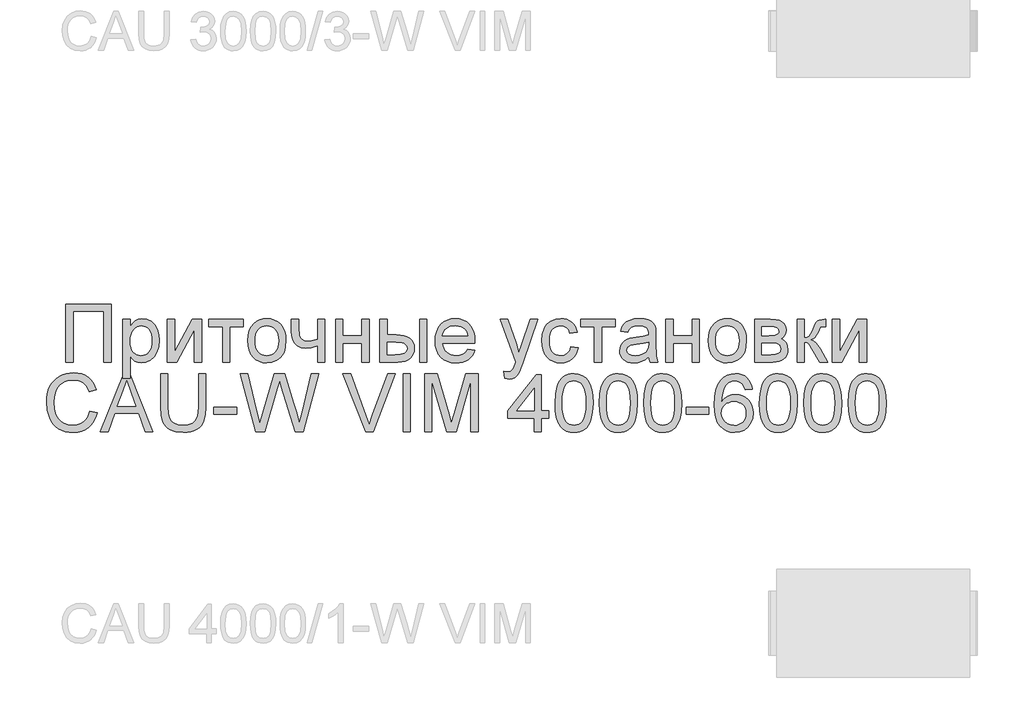
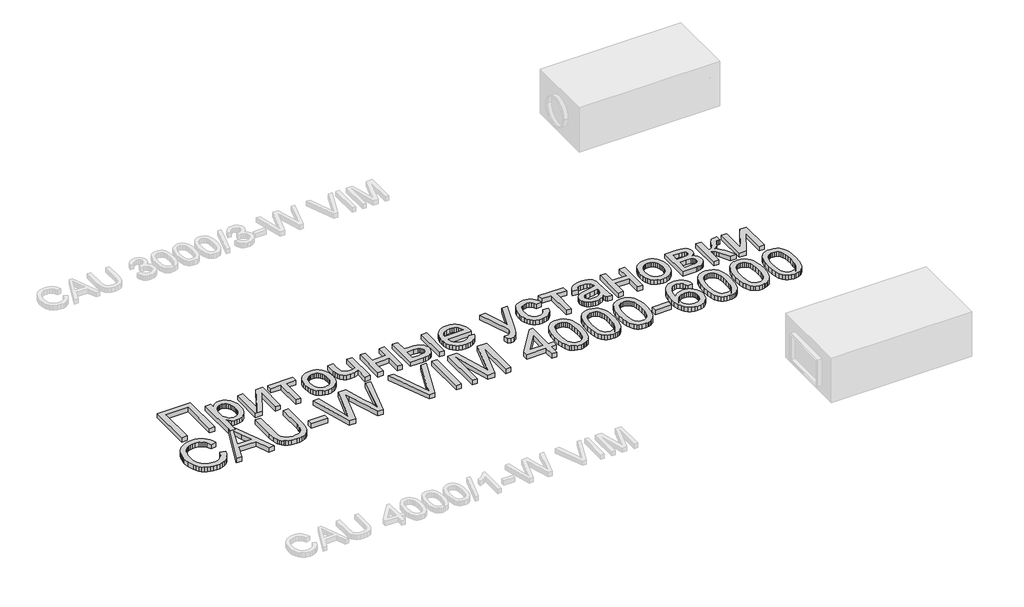
# One storey, part 71 of 74: 1 proxy.
"""IFC4 building model written with IfcOpenShell, lengths in millimetres."""

from ifc_helpers import new_model, si_unit, origin, origin_with_axes, place, context, project, spatial, polyline, outline, extrude, element, save

model = new_model("IFC4")

# Units and contexts
model_context = context("Model", 3, world=origin())
ifc_project = project(units=[si_unit("LENGTHUNIT", "METRE", prefix="MILLI")], contexts=[model_context])

# Site, building, storey
site = spatial("IfcSite", under=ifc_project)
building = spatial("IfcBuilding", under=site)
storey = spatial("IfcBuildingStorey", under=building, Elevation=0.0)

# Proxy
placement = place(None, origin())
element("IfcBuildingElementProxy", 1, Name="Generic Models", at=placement, inside=storey, context=model_context, shape_type="SweptSolid", body=[
    extrude(outline(polyline([(55811.9197938, -8877.4716513), (56163.2136554, -8877.4716513), (56163.2136554, -9327.1277941), (56107.0066376, -9327.1277941), (56107.0066376, -8933.6786691), (55868.1268117, -8933.6786691), (55868.1268117, -9327.1277941), (55811.9197938, -9327.1277941), (55811.9197938, -8877.4716513)])), origin_with_axes(), (0.0, 0.0, 1.0), 50.0),
    extrude(outline(polyline([(56254.5500594, -9453.5935843), (56254.5500594, -8996.9115642), (56310.7570773, -8996.9115642), (56310.7570773, -9052.0207887), (56329.0902257, -9024.8366817), (56349.6189607, -9005.4194624), (56373.550855, -8993.7691308), (56402.0934813, -8989.885687), (56440.1045749, -8995.3197639), (56473.3402676, -9011.6219947), (56500.4008729, -9037.8043653), (56519.8867043, -9072.8788618), (56531.6605376, -9114.2931147), (56535.5851487, -9159.4947545), (56531.1528082, -9207.5643794), (56517.8557866, -9250.5567102), (56496.1194789, -9286.2898827), (56466.36928, -9312.5820326), (56431.7201784, -9328.7607616), (56395.2871627, -9334.1536713), (56369.4478525, -9330.5446758), (56346.3804704, -9319.7176892), (56326.6339131, -9303.3742912), (56310.7570773, -9283.2160614), (56310.7570773, -9453.5935843), (56254.5500594, -9453.5935843)]), holes=[polyline([(56310.7570773, -9164.6543831), (56312.2768349, -9191.7424332), (56316.8361078, -9215.0430964), (56324.4348959, -9234.5563726), (56335.0731993, -9250.2822619), (56347.8796444, -9262.3854332), (56361.982858, -9271.0305556), (56377.3828398, -9276.217629), (56394.0795901, -9277.9466535), (56411.0164826, -9276.1558781), (56426.697774, -9270.7835521), (56441.1234643, -9261.8296753), (56454.2935535, -9249.2942479), (56465.2680561, -9232.9988783), (56473.1069865, -9212.7651752), (56477.8103448, -9188.5931386), (56479.3781308, -9160.4827685), (56477.8480814, -9133.6279995), (56473.2579331, -9110.3685036), (56465.6076859, -9090.7042808), (56454.8973399, -9074.6353311), (56442.0600193, -9062.1479321), (56428.0288484, -9053.2283614), (56412.8038273, -9047.876619), (56396.384956, -9046.0927048), (56380.0175438, -9047.9898289), (56364.6175619, -9053.6812011), (56350.1850104, -9063.1668215), (56336.7198892, -9076.4466901), (56325.361159, -9093.3424153), (56317.2477803, -9113.6756059), (56312.379753, -9137.4462619), (56310.7570773, -9164.6543831)])]), origin_with_axes(), (0.0, 0.0, 1.0), 50.0),
    extrude(outline(polyline([(56598.8180438, -8996.9115642), (56655.0250616, -8996.9115642), (56655.0250616, -9248.7453512), (56793.127461, -8996.9115642), (56865.8013786, -8996.9115642), (56865.8013786, -9327.1277941), (56809.5943607, -9327.1277941), (56809.5943607, -9076.8309177), (56672.370196, -9327.1277941), (56598.8180438, -9327.1277941), (56598.8180438, -8996.9115642)])), origin_with_axes(), (0.0, 0.0, 1.0), 50.0),
    extrude(outline(polyline([(56922.0083964, -8996.9115642), (57188.9917312, -8996.9115642), (57188.9917312, -9053.1185821), (57083.6035727, -9053.1185821), (57083.6035727, -9327.1277941), (57027.3965549, -9327.1277941), (57027.3965549, -9053.1185821), (56922.0083964, -9053.1185821), (56922.0083964, -8996.9115642)])), origin_with_axes(), (0.0, 0.0, 1.0), 50.0),
    extrude(outline(polyline([(57224.1211174, -9162.0196791), (57227.1606326, -9119.2537682), (57236.2791784, -9082.4022188), (57251.4767546, -9051.4650309), (57272.7533613, -9026.4422044), (57294.1740534, -9010.4487281), (57317.817777, -8999.0248163), (57343.6845321, -8992.1704693), (57371.7743186, -8989.885687), (57402.7835492, -8992.6679069), (57430.8218766, -9001.0145667), (57455.8893009, -9014.9256664), (57477.985822, -9034.401206), (57496.0205079, -9058.7825095), (57508.9024263, -9087.4109008), (57516.6315774, -9120.2863801), (57519.2079611, -9157.4089472), (57514.6521188, -9214.1923066), (57508.957316, -9237.4998309), (57500.984592, -9257.4179184), (57478.6033308, -9289.7890989), (57447.9062851, -9314.0091639), (57411.4458246, -9329.1175445), (57371.7743186, -9334.1536713), (57340.3122482, -9331.3817432), (57312.0131949, -9323.0659588), (57286.8771585, -9309.2063182), (57264.9041391, -9289.8028213), (57247.0615671, -9265.1848062), (57234.3168728, -9235.6816107), (57226.6700562, -9201.2932351), (57224.1211174, -9162.0196791)]), holes=[polyline([(57280.3281352, -9161.9098998), (57281.9542416, -9189.1729107), (57286.8325606, -9212.7788977), (57294.9630924, -9232.7278606), (57306.3458369, -9249.0197996), (57320.1917551, -9261.6752981), (57335.7118081, -9270.71494), (57352.9059959, -9276.1387251), (57371.7743186, -9277.9466535), (57390.5465843, -9276.1284333), (57407.6721601, -9270.6737727), (57423.1510458, -9261.5826718), (57436.9832416, -9248.8551306), (57448.3659861, -9232.4019532), (57456.4965178, -9212.1339441), (57461.3748369, -9188.0511032), (57463.0009433, -9160.1534305), (57461.3645451, -9133.7549318), (57456.4553506, -9110.7664536), (57448.2733598, -9091.1879959), (57436.8185726, -9075.0195587), (57422.9349178, -9062.3640602), (57407.4663238, -9053.3244183), (57390.4127907, -9047.9006332), (57371.7743186, -9046.0927048), (57352.9059959, -9047.893772), (57335.7118081, -9053.2969735), (57320.1917551, -9062.3023093), (57306.3458369, -9074.9097794), (57294.9630924, -9091.1536899), (57286.8325606, -9111.0683468), (57281.9542416, -9134.6537501), (57280.3281352, -9161.9098998)])]), origin_with_axes(), (0.0, 0.0, 1.0), 50.0),
    extrude(outline(polyline([(57561.3632245, -8996.9115642), (57617.5702423, -8996.9115642), (57617.5702423, -9060.2542386), (57622.1260846, -9119.6448571), (57629.8792499, -9136.907657), (57644.0270613, -9151.8102013), (57663.5677823, -9162.1020136), (57687.4996767, -9165.5326178), (57721.8880523, -9161.2786687), (57765.1136642, -9148.5168213), (57765.1136642, -8996.9115642), (57821.3206821, -8996.9115642), (57821.3206821, -9327.1277941), (57765.1136642, -9327.1277941), (57765.1136642, -9202.4184732), (57717.1400962, -9216.909345), (57672.4599082, -9221.7396356), (57638.4694826, -9216.7035088), (57608.7330061, -9201.5951282), (57585.5558447, -9179.1864221), (57571.2433643, -9152.2493186), (57563.8332595, -9121.5934402), (57561.3632245, -9088.0284096), (57561.3632245, -8996.9115642)])), origin_with_axes(), (0.0, 0.0, 1.0), 50.0),
    extrude(outline(polyline([(57905.6312088, -8996.9115642), (57961.8382267, -8996.9115642), (57961.8382267, -9123.3773544), (58109.3816486, -9123.3773544), (58109.3816486, -8996.9115642), (58165.5886664, -8996.9115642), (58165.5886664, -9327.1277941), (58109.3816486, -9327.1277941), (58109.3816486, -9179.5843722), (57961.8382267, -9179.5843722), (57961.8382267, -9327.1277941), (57905.6312088, -9327.1277941), (57905.6312088, -8996.9115642)])), origin_with_axes(), (0.0, 0.0, 1.0), 50.0),
    extrude(outline(polyline([(58249.8991932, -8996.9115642), (58306.106211, -8996.9115642), (58306.106211, -9116.3514771), (58375.596528, -9116.3514771), (58407.573189, -9118.1113771), (58435.6595449, -9123.3910768), (58459.8555957, -9132.1905763), (58480.1613415, -9144.5098757), (58496.2268606, -9159.92358), (58507.7022314, -9178.0062943), (58514.5874538, -9198.7580186), (58516.882528, -9222.1787529), (58514.9579591, -9243.0745626), (58509.1842523, -9262.3991556), (58499.5614078, -9280.1525319), (58486.0894254, -9296.3346915), (58468.3909388, -9309.8066739), (58446.0885814, -9319.4295184), (58419.1823533, -9325.2032252), (58387.6722545, -9327.1277941), (58249.8991932, -9327.1277941), (58249.8991932, -8996.9115642)]), holes=[polyline([(58306.106211, -9270.9207762), (58363.8501395, -9270.9207762), (58408.612662, -9267.9704567), (58438.3903058, -9259.1194981), (58455.104209, -9244.0111175), (58460.6755101, -9222.2885323), (58456.5450628, -9203.927939), (58444.1537207, -9187.7080428), (58433.3987768, -9181.0801156), (58417.6557345, -9176.3458819), (58371.2053548, -9172.558495), (58306.106211, -9172.558495), (58306.106211, -9270.9207762)])]), origin_with_axes(), (0.0, 0.0, 1.0), 50.0),
    extrude(outline(polyline([(58559.0377914, -8996.9115642), (58615.2448092, -8996.9115642), (58615.2448092, -9327.1277941), (58559.0377914, -9327.1277941), (58559.0377914, -8996.9115642)])), origin_with_axes(), (0.0, 0.0, 1.0), 50.0),
    extrude(outline(polyline([(58930.7506086, -9228.7655128), (58985.8598332, -9235.7913901), (58977.4102552, -9257.863897), (58966.0034966, -9277.3154223), (58951.6395571, -9294.1459661), (58934.3184369, -9308.3555284), (58914.2185274, -9319.6422159), (58891.51822, -9327.7041356), (58866.2175146, -9332.5412874), (58838.3164113, -9334.1536713), (58803.4408899, -9331.3714514), (58772.3664778, -9323.0247916), (58745.093175, -9309.1136919), (58721.6209817, -9289.6381523), (58702.7457978, -9265.1402083), (58689.2635236, -9236.1618953), (58681.1741591, -9202.7032134), (58678.4777043, -9164.7641624), (58681.201604, -9125.538635), (58689.373303, -9090.9650067), (58702.9928013, -9061.0432776), (58722.060099, -9035.7734476), (58745.4705415, -9015.6975524), (58772.1194743, -9001.3576271), (58802.0068973, -8992.753672), (58835.1328107, -8989.885687), (58867.1918062, -8992.7468108), (58896.1838416, -9001.3301823), (58922.1089169, -9015.6358015), (58944.9670321, -9035.6636683), (58963.6260879, -9060.8786086), (58976.9539849, -9090.745448), (58984.9507231, -9125.2641866), (58987.6163025, -9164.4348244), (58987.2869645, -9179.5843722), (58734.6847222, -9179.5843722), (58737.9403655, -9202.0136619), (58744.4139154, -9221.6573011), (58754.1053721, -9238.5152897), (58767.0147354, -9252.5876278), (58782.4284397, -9263.6822015), (58799.6329193, -9271.6068971), (58818.6281743, -9276.3617144), (58839.4142046, -9277.9466535), (58869.3290725, -9275.0100563), (58894.5234292, -9266.200265), (58914.9972745, -9250.9683827), (58930.7506086, -9228.7655128)]), holes=[polyline([(58734.6847222, -9123.3773544), (58931.4092846, -9123.3773544), (58923.8070659, -9093.6820451), (58908.9045216, -9072.4397444), (58893.5765824, -9060.9129146), (58876.1353911, -9052.6794647), (58856.5809476, -9047.7393948), (58834.913252, -9046.0927048), (58797.0256602, -9051.3483903), (58765.6973834, -9067.1154469), (58753.2408598, -9078.5153443), (58743.9199084, -9091.6922947), (58737.7345292, -9106.6462981), (58734.6847222, -9123.3773544)])]), origin_with_axes(), (0.0, 0.0, 1.0), 50.0),
    extrude(outline(polyline([(59219.4702511, -9453.5935843), (59212.4443739, -9399.4723737), (59240.9870002, -9404.4124436), (59255.9993238, -9402.8618106), (59267.6633778, -9398.2099114), (59284.0204982, -9380.9196666), (59299.3896046, -9339.5328586), (59303.7807779, -9325.9202214), (59184.340865, -8996.9115642), (59243.6217041, -8996.9115642), (59306.9643785, -9180.2430482), (59329.0300242, -9253.5756418), (59351.0956699, -9188.8058361), (59416.1948136, -8996.9115642), (59475.0365354, -8996.9115642), (59360.0975751, -9335.031906), (59330.2375969, -9408.3644996), (59314.9508249, -9431.7749421), (59297.6331353, -9447.9948383), (59277.5160728, -9457.4633057), (59253.831182, -9460.6194615), (59219.4702511, -9453.5935843)])), origin_with_axes(), (0.0, 0.0, 1.0), 50.0),
    extrude(outline(polyline([(59732.359289, -9207.6878812), (59788.5663069, -9214.7137584), (59782.4529703, -9241.2357588), (59772.8953073, -9264.7045216), (59759.8933177, -9285.1200467), (59743.4470015, -9302.4823341), (59724.2493409, -9316.3385441), (59702.9933178, -9326.235837), (59679.6789322, -9332.1742127), (59654.3061842, -9334.1536713), (59622.7823629, -9331.392035), (59594.5176156, -9323.1071261), (59569.5119422, -9309.2989445), (59547.7653427, -9289.9674903), (59530.162913, -9265.4764075), (59517.5897489, -9236.1893402), (59510.0458504, -9202.1062883), (59507.5312176, -9163.2272518), (59511.826334, -9113.2090438), (59524.711683, -9069.8599301), (59534.4271539, -9051.1048174), (59546.3931011, -9034.8540457), (59560.6095245, -9021.107615), (59577.0764243, -9009.8655254), (59613.7838883, -8994.8806466), (59653.5377288, -8989.885687), (59678.4747902, -8991.600989), (59701.0310122, -8996.7468952), (59721.206395, -9005.3234055), (59739.0009386, -9017.3305199), (59754.1127497, -9032.4937901), (59766.2399353, -9050.5387678), (59775.3824953, -9071.4654529), (59781.5404297, -9095.2738454), (59725.3334118, -9102.2997227), (59715.1376564, -9077.7777645), (59699.2608205, -9060.199349), (59678.5811389, -9049.6193659), (59653.9768462, -9046.0927048), (59634.878673, -9047.8285905), (59617.6536098, -9053.0362476), (59602.3016564, -9061.715676), (59588.8228128, -9073.8668758), (59577.8483102, -9089.7711564), (59570.0093798, -9109.7098276), (59565.3060216, -9133.6828891), (59563.7382355, -9161.6903412), (59565.2717155, -9190.1197575), (59569.8721556, -9214.370698), (59577.5395558, -9234.4431627), (59588.2739161, -9250.3371515), (59601.4851726, -9262.4163086), (59616.5832613, -9271.044278), (59633.5681823, -9276.2210596), (59652.4399355, -9277.9466535), (59681.5451809, -9273.6378147), (59705.4084631, -9260.7112984), (59722.7673199, -9238.8377665), (59732.359289, -9207.6878812)])), origin_with_axes(), (0.0, 0.0, 1.0), 50.0),
    extrude(outline(polyline([(59809.6439386, -8996.9115642), (60076.6272734, -8996.9115642), (60076.6272734, -9053.1185821), (59971.2391149, -9053.1185821), (59971.2391149, -9327.1277941), (59915.0320971, -9327.1277941), (59915.0320971, -9053.1185821), (59809.6439386, -9053.1185821), (59809.6439386, -8996.9115642)])), origin_with_axes(), (0.0, 0.0, 1.0), 50.0),
    extrude(outline(polyline([(60336.5847309, -9284.9725307), (60309.7299619, -9307.9987455), (60282.0792927, -9323.0659588), (60253.0014922, -9331.3817432), (60221.8653293, -9334.1536713), (60196.8390722, -9332.4863977), (60174.8934977, -9327.4845769), (60156.0286057, -9319.1482089), (60140.2443961, -9307.4772937), (60127.7810114, -9293.2128418), (60118.8785937, -9277.0958636), (60113.5371431, -9259.1263593), (60111.7566595, -9239.3043287), (60114.4462532, -9216.0036655), (60122.515034, -9194.8436993), (60134.9612658, -9176.7301096), (60150.783212, -9162.5685758), (60169.3770863, -9151.865091), (60190.1391024, -9144.1256481), (60238.7713464, -9135.6726395), (60296.2408265, -9126.7805137), (60336.2553929, -9116.3514771), (60336.5847309, -9103.8366333), (60332.7150095, -9078.752056), (60321.1058452, -9062.3400459), (60295.1430332, -9050.1545401), (60258.9707434, -9046.0927048), (60225.4880472, -9048.7960209), (60202.1050496, -9056.905969), (60186.1596016, -9071.9045702), (60174.9895546, -9095.2738454), (60118.7825368, -9088.2479682), (60128.5391749, -9057.5097553), (60143.0986587, -9033.3583023), (60163.8195076, -9014.8879298), (60192.0602407, -9001.1929581), (60226.599563, -8992.7125048), (60266.2161793, -8989.885687), (60304.2135505, -8992.3831668), (60334.3342546, -8999.8756062), (60357.0448539, -9011.1417101), (60372.8119104, -9024.9601835), (60383.2683918, -9042.044592), (60390.0472655, -9063.1085012), (60392.7917488, -9112.2896419), (60392.7917488, -9182.2190762), (60395.6460114, -9279.8677918), (60406.8435033, -9327.1277941), (60350.6364854, -9327.1277941), (60341.6345802, -9307.587073), (60336.5847309, -9284.9725307)]), holes=[polyline([(60336.5847309, -9172.558495), (60298.8206408, -9181.917183), (60245.9070029, -9189.7938501), (60197.5492073, -9198.9055346), (60184.9657514, -9205.1355117), (60175.6482306, -9213.7257444), (60169.8848157, -9224.0175567), (60167.9636774, -9235.3522728), (60172.1490144, -9252.066176), (60184.7050255, -9265.7611476), (60205.3572623, -9274.900277), (60233.8312764, -9277.9466535), (60264.0205927, -9274.5846614), (60290.6969703, -9264.4986853), (60312.3234986, -9249.6373083), (60327.3632671, -9231.9491135), (60334.0323615, -9213.7257444), (60336.2553929, -9188.4764981), (60336.5847309, -9172.558495)])]), origin_with_axes(), (0.0, 0.0, 1.0), 50.0),
    extrude(outline(polyline([(60470.0763983, -8996.9115642), (60526.2834162, -8996.9115642), (60526.2834162, -9123.3773544), (60673.8268381, -9123.3773544), (60673.8268381, -8996.9115642), (60730.0338559, -8996.9115642), (60730.0338559, -9327.1277941), (60673.8268381, -9327.1277941), (60673.8268381, -9179.5843722), (60526.2834162, -9179.5843722), (60526.2834162, -9327.1277941), (60470.0763983, -9327.1277941), (60470.0763983, -8996.9115642)])), origin_with_axes(), (0.0, 0.0, 1.0), 50.0),
    extrude(outline(polyline([(60800.2926282, -9162.0196791), (60803.3321435, -9119.2537682), (60812.4506892, -9082.4022188), (60827.6482655, -9051.4650309), (60848.9248722, -9026.4422044), (60870.3455643, -9010.4487281), (60893.9892879, -8999.0248163), (60919.8560429, -8992.1704693), (60947.9458294, -8989.885687), (60978.95506, -8992.6679069), (61006.9933875, -9001.0145667), (61032.0608118, -9014.9256664), (61054.1573329, -9034.401206), (61072.1920187, -9058.7825095), (61085.0739372, -9087.4109008), (61092.8030883, -9120.2863801), (61095.3794719, -9157.4089472), (61090.8236297, -9214.1923066), (61085.1288268, -9237.4998309), (61077.1561029, -9257.4179184), (61054.7748416, -9289.7890989), (61024.077796, -9314.0091639), (60987.6173354, -9329.1175445), (60947.9458294, -9334.1536713), (60916.4837591, -9331.3817432), (60888.1847057, -9323.0659588), (60863.0486693, -9309.2063182), (60841.07565, -9289.8028213), (60823.233078, -9265.1848062), (60810.4883837, -9235.6816107), (60802.8415671, -9201.2932351), (60800.2926282, -9162.0196791)]), holes=[polyline([(60856.4996461, -9161.9098998), (60858.1257524, -9189.1729107), (60863.0040715, -9212.7788977), (60871.1346032, -9232.7278606), (60882.5173477, -9249.0197996), (60896.3632659, -9261.6752981), (60911.8833189, -9270.71494), (60929.0775068, -9276.1387251), (60947.9458294, -9277.9466535), (60966.7180951, -9276.1284333), (60983.8436709, -9270.6737727), (60999.3225567, -9261.5826718), (61013.1547525, -9248.8551306), (61024.5374969, -9232.4019532), (61032.6680287, -9212.1339441), (61037.5463477, -9188.0511032), (61039.1724541, -9160.1534305), (61037.5360559, -9133.7549318), (61032.6268614, -9110.7664536), (61024.4448706, -9091.1879959), (61012.9900835, -9075.0195587), (60999.1064286, -9062.3640602), (60983.6378346, -9053.3244183), (60966.5843016, -9047.9006332), (60947.9458294, -9046.0927048), (60929.0775068, -9047.893772), (60911.8833189, -9053.2969735), (60896.3632659, -9062.3023093), (60882.5173477, -9074.9097794), (60871.1346032, -9091.1536899), (60863.0040715, -9111.0683468), (60858.1257524, -9134.6537501), (60856.4996461, -9161.9098998)])]), origin_with_axes(), (0.0, 0.0, 1.0), 50.0),
    extrude(outline(polyline([(61158.612367, -8996.9115642), (61282.4434532, -8996.9115642), (61322.2521834, -8998.7915353), (61350.3419699, -9004.4314484), (61371.0079291, -9015.0800436), (61388.5451774, -9031.9860607), (61400.5248469, -9054.0105391), (61404.5180701, -9080.0145183), (61402.1029248, -9100.9686483), (61394.8574889, -9119.0410708), (61382.7543176, -9134.3141203), (61365.765966, -9146.8701314), (61386.5691494, -9158.5479078), (61403.5300561, -9177.3338959), (61414.8098825, -9201.7460748), (61418.5698246, -9230.3024235), (61415.4479749, -9253.3080547), (61409.0464676, -9273.1438077), (61399.3653028, -9289.8096825), (61386.4044804, -9303.3056791), (61370.1434169, -9313.7278544), (61350.5615286, -9321.1722653), (61327.6588155, -9325.6389119), (61301.4352776, -9327.1277941), (61158.612367, -9327.1277941), (61158.612367, -8996.9115642)]), holes=[polyline([(61214.8193849, -9123.3773544), (61270.3677267, -9123.3773544), (61316.2005977, -9120.5230917), (61338.4858021, -9109.1060412), (61345.8547397, -9099.6650187), (61348.3110523, -9088.4675269), (61344.0022135, -9071.698734), (61331.0756972, -9060.9129146), (61307.7201444, -9055.0671652), (61272.1241961, -9053.1185821), (61214.8193849, -9053.1185821), (61214.8193849, -9123.3773544)]), polyline([(61214.8193849, -9270.9207762), (61283.7608052, -9270.9207762), (61321.3327815, -9268.3821292), (61344.907893, -9260.766188), (61357.559961, -9246.9202698), (61362.3628067, -9225.6916916), (61359.9613839, -9211.6262147), (61352.7571152, -9198.6310863), (61341.6968475, -9188.4627757), (61327.7274276, -9182.8777522), (61278.2718386, -9179.5843722), (61214.8193849, -9179.5843722), (61214.8193849, -9270.9207762)])]), origin_with_axes(), (0.0, 0.0, 1.0), 50.0),
    extrude(outline(polyline([(61488.8285969, -8996.9115642), (61545.0356148, -8996.9115642), (61545.0356148, -9137.4291088), (61567.8971606, -9134.9041842), (61582.6899256, -9127.3294103), (61595.7811109, -9107.5691306), (61613.5379178, -9068.4876885), (61627.8503981, -9036.5281805), (61639.1713917, -9017.7147476), (61649.7376524, -9007.4641025), (61661.7859341, -9001.1929581), (61702.8982938, -8996.9115642), (61713.6566683, -8996.9115642), (61713.6566683, -9053.4479201), (61698.5071205, -9053.1185821), (61680.9424275, -9054.600603), (61671.0622876, -9059.046666), (61651.7411252, -9096.0423008), (61639.871235, -9120.7014832), (61629.0716932, -9136.0568672), (61615.9942303, -9146.3075123), (61597.2905767, -9155.6524779), (61615.1022732, -9163.563451), (61632.7493008, -9177.5260098), (61650.2316594, -9197.5401542), (61667.549349, -9223.6058843), (61727.7084228, -9327.1277941), (61663.8168517, -9327.1277941), (61604.8653506, -9225.8014709), (61588.9473475, -9198.8369225), (61575.224931, -9182.9326418), (61561.3652904, -9175.1520317), (61545.0356148, -9172.558495), (61545.0356148, -9327.1277941), (61488.8285969, -9327.1277941), (61488.8285969, -8996.9115642)])), origin_with_axes(), (0.0, 0.0, 1.0), 50.0),
    extrude(outline(polyline([(61762.8378089, -8996.9115642), (61819.0448268, -8996.9115642), (61819.0448268, -9248.7453512), (61957.1472261, -8996.9115642), (62029.8211437, -8996.9115642), (62029.8211437, -9327.1277941), (61973.6141259, -9327.1277941), (61973.6141259, -9076.8309177), (61836.3899612, -9327.1277941), (61762.8378089, -9327.1277941), (61762.8378089, -8996.9115642)])), origin_with_axes(), (0.0, 0.0, 1.0), 50.0),
    extrude(outline(polyline([(55998.1055405, -9707.7211702), (56054.3125583, -9722.212042), (56043.1905398, -9757.1664674), (56028.3771912, -9787.7091358), (56009.8725126, -9813.8400474), (55987.676504, -9835.5592021), (55962.2900335, -9852.6333188), (55934.2139694, -9864.8291164), (55903.4483117, -9872.146595), (55869.9930603, -9874.5857545), (55835.7178946, -9872.7400895), (55804.7978597, -9867.2030944), (55777.2329556, -9857.9747694), (55753.0231824, -9845.0551143), (55731.8357713, -9828.636243), (55713.3379539, -9808.9102693), (55697.5297302, -9785.8771932), (55684.4111, -9759.5370148), (55666.75035, -9701.4911932), (55660.8634334, -9639.3286466), (55662.5272764, -9605.4274167), (55667.5188054, -9573.7629407), (55675.8380203, -9544.3352186), (55687.4849213, -9517.1442503), (55702.1987824, -9492.6394451), (55719.7188776, -9471.2702121), (55740.045207, -9453.0365512), (55763.1777705, -9437.9384625), (55788.3309599, -9426.0994477), (55814.7191668, -9417.6430085), (55842.3423912, -9412.569145), (55871.200633, -9410.8778572), (55903.3488242, -9413.0665826), (55932.8280053, -9419.6327589), (55959.6381765, -9430.5763861), (55983.7793377, -9445.897464), (56004.8535388, -9465.1911816), (56022.4628297, -9488.0527274), (56036.6072105, -9514.4821015), (56047.2866811, -9544.4793039), (55991.0796632, -9557.8723824), (55971.5938319, -9516.8835244), (55959.175045, -9501.2159554), (55944.9723439, -9488.7662931), (55928.9033942, -9479.2806727), (55910.8858614, -9472.5052296), (55869.0050463, -9467.0848751), (55843.7901061, -9468.5874797), (55820.7295852, -9473.0952935), (55799.8234837, -9480.6083165), (55781.0718016, -9491.1265487), (55764.7112506, -9504.1765668), (55750.9785423, -9519.2849473), (55739.8736768, -9536.4516903), (55731.396654, -9555.6767958), (55720.6520019, -9596.8166004), (55717.0704512, -9639.2188672), (55721.3106779, -9691.1444912), (55734.031358, -9736.0442378), (55743.6919392, -9755.4305817), (55755.712776, -9772.2028052), (55770.0938684, -9786.3609084), (55786.8352165, -9797.9048913), (55824.1464669, -9813.2602753), (55864.3943144, -9818.3787366), (55888.8305075, -9816.6359898), (55911.3112563, -9811.4077491), (55931.8365608, -9802.6940146), (55950.4064208, -9790.4947864), (55966.5817192, -9774.864954), (55979.9233387, -9755.8594072), (55990.4312791, -9733.478146), (55998.1055405, -9707.7211702)])), origin_with_axes(), (0.0, 0.0, 1.0), 50.0),
    extrude(outline(polyline([(56079.2324666, -9867.5598773), (56258.721674, -9417.9037344), (56306.5854627, -9417.9037344), (56486.0746701, -9867.5598773), (56426.6840516, -9867.5598773), (56375.197545, -9727.0423326), (56189.9998124, -9727.0423326), (56138.6230851, -9867.5598773), (56079.2324666, -9867.5598773)]), holes=[polyline([(56210.6383267, -9670.8353148), (56354.66881, -9670.8353148), (56314.1602366, -9560.2875277), (56282.6535684, -9474.1107523), (56254.6598388, -9550.6269465), (56210.6383267, -9670.8353148)])]), origin_with_axes(), (0.0, 0.0, 1.0), 50.0),
    extrude(outline(polyline([(56841.2108083, -9417.9037344), (56897.4178261, -9417.9037344), (56897.4178261, -9677.3122954), (56893.6029943, -9738.0614331), (56882.158499, -9784.8411508), (56872.998786, -9803.8123916), (56860.7789741, -9820.9311061), (56845.4990634, -9836.1972944), (56827.1590538, -9849.6109565), (56805.7383617, -9860.5374306), (56781.2164035, -9868.342055), (56753.5931791, -9873.0248296), (56722.8686886, -9874.5857545), (56665.7971586, -9869.1516776), (56641.5530793, -9862.3590814), (56620.1701238, -9852.8494468), (56601.6448616, -9840.7634285), (56585.973862, -9826.2416813), (56573.157125, -9809.2842051), (56563.1946506, -9789.8910001), (56550.3916361, -9741.1352543), (56546.1239645, -9677.3122954), (56546.1239645, -9417.9037344), (56602.3309824, -9417.9037344), (56602.3309824, -9675.3362674), (56605.1029105, -9725.8484824), (56613.4186949, -9761.0190358), (56628.4859082, -9785.376325), (56651.512123, -9803.4487475), (56681.5367702, -9814.6462394), (56717.5992807, -9818.3787366), (56748.5776359, -9816.5330716), (56774.7668677, -9810.9960766), (56796.1669762, -9801.7677515), (56812.7779613, -9788.8480964), (56825.2173319, -9770.679617), (56834.1025965, -9745.704819), (56839.4337553, -9713.9237025), (56841.2108083, -9675.3362674), (56841.2108083, -9417.9037344)])), origin_with_axes(), (0.0, 0.0, 1.0), 50.0),
    extrude(outline(polyline([(56960.6507212, -9734.0682099), (56960.6507212, -9677.861192), (57136.297652, -9677.861192), (57136.297652, -9734.0682099), (56960.6507212, -9734.0682099)])), origin_with_axes(), (0.0, 0.0, 1.0), 50.0),
    extrude(outline(polyline([(57287.0246745, -9867.5598773), (57164.4011609, -9417.9037344), (57222.3646481, -9417.9037344), (57293.501655, -9713.4296955), (57315.4575214, -9804.6563202), (57338.9502984, -9723.9685113), (57428.0911158, -9417.9037344), (57511.6331872, -9417.9037344), (57576.4029929, -9639.7677639), (57604.149719, -9722.1022627), (57624.5961196, -9804.6563202), (57645.8933099, -9716.0643995), (57717.6889929, -9417.9037344), (57775.6524801, -9417.9037344), (57652.9191872, -9867.5598773), (57592.8698927, -9867.5598773), (57485.0665889, -9520.657189), (57470.0268205, -9472.2445037), (57453.1208034, -9530.5373288), (57354.8683015, -9867.5598773), (57287.0246745, -9867.5598773)])), origin_with_axes(), (0.0, 0.0, 1.0), 50.0),
    extrude(outline(polyline([(58140.3394201, -9867.5598773), (57961.3991094, -9417.9037344), (58021.5581832, -9417.9037344), (58141.3274341, -9741.8625424), (58165.5886664, -9814.865798), (58189.5205607, -9741.8625424), (58309.6191496, -9417.9037344), (58369.7782234, -9417.9037344), (58198.4126866, -9867.5598773), (58140.3394201, -9867.5598773)])), origin_with_axes(), (0.0, 0.0, 1.0), 50.0),
    extrude(outline(polyline([(58429.0590626, -9867.5598773), (58429.0590626, -9417.9037344), (58485.2660804, -9417.9037344), (58485.2660804, -9867.5598773), (58429.0590626, -9867.5598773)])), origin_with_axes(), (0.0, 0.0, 1.0), 50.0),
    extrude(outline(polyline([(58597.6801161, -9867.5598773), (58597.6801161, -9417.9037344), (58694.3957074, -9417.9037344), (58786.3907874, -9734.8366652), (58804.9434945, -9801.0336022), (58825.0331122, -9729.3476986), (58915.4912815, -9417.9037344), (59012.2068728, -9417.9037344), (59012.2068728, -9867.5598773), (58955.9998549, -9867.5598773), (58955.9998549, -9474.1107523), (58843.0369226, -9867.5598773), (58766.8500664, -9867.5598773), (58653.887134, -9474.1107523), (58653.887134, -9867.5598773), (58597.6801161, -9867.5598773)])), origin_with_axes(), (0.0, 0.0, 1.0), 50.0),
    extrude(outline(polyline([(59447.8112612, -9867.5598773), (59447.8112612, -9762.1717188), (59244.0608214, -9762.1717188), (59244.0608214, -9705.9647009), (59461.8630156, -9424.9296117), (59504.018279, -9424.9296117), (59504.018279, -9705.9647009), (59560.2252969, -9705.9647009), (59560.2252969, -9762.1717188), (59504.018279, -9762.1717188), (59504.018279, -9867.5598773), (59447.8112612, -9867.5598773)]), holes=[polyline([(59447.8112612, -9705.9647009), (59447.8112612, -9532.2937981), (59313.2218004, -9705.9647009), (59447.8112612, -9705.9647009)])]), origin_with_axes(), (0.0, 0.0, 1.0), 50.0),
    extrude(outline(polyline([(59609.4064375, -9646.3545238), (59613.5368848, -9574.3804494), (59625.9282269, -9516.9795813), (59635.190858, -9493.524541), (59646.4569619, -9473.2736849), (59659.7265387, -9456.227013), (59674.9995882, -9442.3845254), (59692.3275696, -9431.6741794), (59711.7619419, -9424.0239322), (59733.3027052, -9419.4337839), (59756.9498593, -9417.9037344), (59791.5852385, -9421.5264524), (59822.5978997, -9432.3946062), (59848.5332668, -9450.0828011), (59867.9367637, -9474.165642), (59882.5923045, -9504.4372927), (59894.2838034, -9540.691917), (59901.9409117, -9586.7306243), (59904.4932812, -9646.3545238), (59900.4040011, -9717.9169257), (59888.1361608, -9775.1805696), (59878.9455723, -9798.6459018), (59867.7309275, -9818.9276333), (59854.4922262, -9836.0257642), (59839.2294685, -9849.9402945), (59821.8809035, -9860.7226833), (59802.3847803, -9868.4243895), (59780.7410989, -9873.0454132), (59756.9498593, -9874.5857545), (59725.9920878, -9871.9098833), (59698.5472549, -9863.8822697), (59674.6153605, -9850.5029136), (59654.1964048, -9831.7718151), (59634.6007941, -9797.9117525), (59620.6039293, -9755.7221831), (59612.2058104, -9705.2031068), (59609.4064375, -9646.3545238)]), holes=[polyline([(59665.6134553, -9646.2447445), (59667.2601453, -9695.1068389), (59672.2002152, -9734.6582738), (59680.4336651, -9764.8990491), (59691.960495, -9785.8291648), (59705.9024701, -9800.0696025), (59721.3813559, -9810.2413437), (59738.3971523, -9816.3443884), (59756.9498593, -9818.3787366), (59775.5025664, -9816.3375272), (59792.5183628, -9810.2138988), (59807.9972486, -9800.0078516), (59821.9392237, -9785.7193855), (59833.4660536, -9764.7549637), (59841.6995034, -9734.5210496), (59846.6395734, -9695.0176432), (59848.2862634, -9646.2447445), (59846.694463, -9598.6759878), (59841.9190621, -9559.8209656), (59833.9600606, -9529.6796778), (59822.8174584, -9508.2521245), (59809.1087643, -9493.3152741), (59793.4514871, -9482.6460953), (59775.8456268, -9476.2445881), (59756.2911834, -9474.1107523), (59737.8345332, -9475.9907234), (59721.1069075, -9481.6306365), (59706.1083063, -9491.0304918), (59692.8387296, -9504.1902892), (59680.9276721, -9527.5183972), (59672.4197739, -9558.9701757), (59667.315035, -9598.5456248), (59665.6134553, -9646.2447445)])]), origin_with_axes(), (0.0, 0.0, 1.0), 50.0),
    extrude(outline(polyline([(59953.6744218, -9646.3545238), (59957.8048692, -9574.3804494), (59970.1962113, -9516.9795813), (59979.4588424, -9493.524541), (59990.7249463, -9473.2736849), (60003.994523, -9456.227013), (60019.2675725, -9442.3845254), (60036.5955539, -9431.6741794), (60056.0299263, -9424.0239322), (60077.5706895, -9419.4337839), (60101.2178437, -9417.9037344), (60135.8532229, -9421.5264524), (60166.8658841, -9432.3946062), (60192.8012512, -9450.0828011), (60212.2047481, -9474.165642), (60226.8602889, -9504.4372927), (60238.5517877, -9540.691917), (60246.2088961, -9586.7306243), (60248.7612655, -9646.3545238), (60244.6719854, -9717.9169257), (60232.4041451, -9775.1805696), (60223.2135567, -9798.6459018), (60211.9989118, -9818.9276333), (60198.7602105, -9836.0257642), (60183.4974528, -9849.9402945), (60166.1488878, -9860.7226833), (60146.6527646, -9868.4243895), (60125.0090832, -9873.0454132), (60101.2178437, -9874.5857545), (60070.2600721, -9871.9098833), (60042.8152392, -9863.8822697), (60018.8833449, -9850.5029136), (59998.4643892, -9831.7718151), (59978.8687785, -9797.9117525), (59964.8719137, -9755.7221831), (59956.4737948, -9705.2031068), (59953.6744218, -9646.3545238)]), holes=[polyline([(60009.8814397, -9646.2447445), (60011.5281297, -9695.1068389), (60016.4681996, -9734.6582738), (60024.7016495, -9764.8990491), (60036.2284793, -9785.8291648), (60050.1704544, -9800.0696025), (60065.6493402, -9810.2413437), (60082.6651366, -9816.3443884), (60101.2178437, -9818.3787366), (60119.7705508, -9816.3375272), (60136.7863472, -9810.2138988), (60152.2652329, -9800.0078516), (60166.2072081, -9785.7193855), (60177.7340379, -9764.7549637), (60185.9674878, -9734.5210496), (60190.9075577, -9695.0176432), (60192.5542477, -9646.2447445), (60190.9624474, -9598.6759878), (60186.1870465, -9559.8209656), (60178.2280449, -9529.6796778), (60167.0854427, -9508.2521245), (60153.3767487, -9493.3152741), (60137.7194715, -9482.6460953), (60120.1136112, -9476.2445881), (60100.5591677, -9474.1107523), (60082.1025175, -9475.9907234), (60065.3748919, -9481.6306365), (60050.3762907, -9491.0304918), (60037.1067139, -9504.1902892), (60025.1956565, -9527.5183972), (60016.6877582, -9558.9701757), (60011.5830193, -9598.5456248), (60009.8814397, -9646.2447445)])]), origin_with_axes(), (0.0, 0.0, 1.0), 50.0),
    extrude(outline(polyline([(60297.9424062, -9646.3545238), (60302.0728535, -9574.3804494), (60314.4641956, -9516.9795813), (60323.7268267, -9493.524541), (60334.9929306, -9473.2736849), (60348.2625074, -9456.227013), (60363.5355569, -9442.3845254), (60380.8635383, -9431.6741794), (60400.2979106, -9424.0239322), (60421.8386739, -9419.4337839), (60445.485828, -9417.9037344), (60480.1212072, -9421.5264524), (60511.1338684, -9432.3946062), (60537.0692355, -9450.0828011), (60556.4727324, -9474.165642), (60571.1282732, -9504.4372927), (60582.819772, -9540.691917), (60590.4768804, -9586.7306243), (60593.0292499, -9646.3545238), (60588.9399698, -9717.9169257), (60576.6721295, -9775.1805696), (60567.481541, -9798.6459018), (60556.2668962, -9818.9276333), (60543.0281949, -9836.0257642), (60527.7654372, -9849.9402945), (60510.4168722, -9860.7226833), (60490.920749, -9868.4243895), (60469.2770676, -9873.0454132), (60445.485828, -9874.5857545), (60414.5280565, -9871.9098833), (60387.0832235, -9863.8822697), (60363.1513292, -9850.5029136), (60342.7323735, -9831.7718151), (60323.1367628, -9797.9117525), (60309.139898, -9755.7221831), (60300.7417791, -9705.2031068), (60297.9424062, -9646.3545238)]), holes=[polyline([(60354.149424, -9646.2447445), (60355.796114, -9695.1068389), (60360.7361839, -9734.6582738), (60368.9696338, -9764.8990491), (60380.4964636, -9785.8291648), (60394.4384388, -9800.0696025), (60409.9173245, -9810.2413437), (60426.933121, -9816.3443884), (60445.485828, -9818.3787366), (60464.0385351, -9816.3375272), (60481.0543315, -9810.2138988), (60496.5332173, -9800.0078516), (60510.4751924, -9785.7193855), (60522.0020223, -9764.7549637), (60530.2354721, -9734.5210496), (60535.1755421, -9695.0176432), (60536.822232, -9646.2447445), (60535.2304317, -9598.6759878), (60530.4550308, -9559.8209656), (60522.4960292, -9529.6796778), (60511.3534271, -9508.2521245), (60497.644733, -9493.3152741), (60481.9874558, -9482.6460953), (60464.3815955, -9476.2445881), (60444.827152, -9474.1107523), (60426.3705019, -9475.9907234), (60409.6428762, -9481.6306365), (60394.644275, -9491.0304918), (60381.3746983, -9504.1902892), (60369.4636408, -9527.5183972), (60360.9557426, -9558.9701757), (60355.8510037, -9598.5456248), (60354.149424, -9646.2447445)])]), origin_with_axes(), (0.0, 0.0, 1.0), 50.0),
    extrude(outline(polyline([(60628.1586361, -9734.0682099), (60628.1586361, -9677.861192), (60803.8055668, -9677.861192), (60803.8055668, -9734.0682099), (60628.1586361, -9734.0682099)])), origin_with_axes(), (0.0, 0.0, 1.0), 50.0),
    extrude(outline(polyline([(61141.047674, -9537.3436474), (61084.8406561, -9544.3695246), (61075.7838612, -9516.5130192), (61063.5434657, -9497.49375), (61038.0472159, -9479.9565017), (61007.2266686, -9474.1107523), (60981.0991876, -9477.5139116), (60956.5086173, -9487.7233894), (60935.3898183, -9509.226416), (60918.1407408, -9538.8256684), (60906.4904093, -9580.692761), (60902.1678481, -9638.9993086), (60924.7137783, -9612.6934362), (60951.7332164, -9594.1544516), (60981.7166963, -9583.162796), (61013.1547525, -9579.4989108), (61040.1604681, -9582.0032518), (61065.0803764, -9589.5162748), (61087.9144774, -9602.0379798), (61108.6627711, -9619.5683669), (61125.9049874, -9641.0645323), (61138.2208562, -9665.4835724), (61145.6103774, -9692.8254872), (61148.0735512, -9723.0902767), (61143.4353744, -9763.3381242), (61129.5208441, -9800.6493746), (61107.4826433, -9832.2932669), (61078.4734549, -9855.5390404), (61043.8106309, -9869.824076), (61004.8115233, -9874.5857545), (60971.3048128, -9871.4295987), (60941.0434539, -9861.9611313), (60914.0274465, -9846.1803524), (60890.2567906, -9824.0872619), (60870.8773079, -9794.7487355), (60857.0348203, -9757.2316489), (60848.7293278, -9711.536002), (60845.9608302, -9657.661795), (60849.0346515, -9597.2625789), (60858.2561154, -9545.7143214), (60873.6252218, -9503.0170226), (60895.1419708, -9469.1706824), (60918.4632176, -9446.7413927), (60945.5032393, -9430.7204714), (60976.2620358, -9421.1079187), (61010.7396072, -9417.9037344), (61036.6269458, -9419.8866236), (61060.057972, -9425.8352912), (61081.0326855, -9435.7497371), (61099.5510866, -9449.6299613), (61115.1123068, -9467.0094018), (61127.2154782, -9487.4214963), (61135.8606005, -9510.8662448), (61141.047674, -9537.3436474)]), holes=[polyline([(60902.1678481, -9722.212042), (60905.4200608, -9747.1182279), (60915.1766989, -9770.8991757), (60930.3262467, -9791.3455762), (60949.7571884, -9806.2481205), (60973.2087981, -9815.3460826), (61000.42035, -9818.3787366), (61019.9576404, -9816.80752), (61037.5120417, -9812.0938699), (61053.0835538, -9804.2377865), (61066.6721767, -9793.2392697), (61077.6947077, -9779.544298), (61085.5679442, -9763.5988501), (61090.291886, -9745.4029259), (61091.8665333, -9724.9565253), (61090.3124697, -9705.3094556), (61085.6502787, -9687.8648336), (61077.8799603, -9672.6226595), (61067.0015147, -9659.5829333), (61053.3717245, -9649.1367437), (61037.3473727, -9641.6751798), (61018.9284592, -9637.1982414), (60998.114984, -9635.7059286), (60978.8384195, -9637.1982414), (60961.078182, -9641.6751798), (60944.8342715, -9649.1367437), (60930.106688, -9659.5829333), (60917.8834455, -9672.4511293), (60909.1525581, -9687.1787128), (60903.9140256, -9703.7656837), (60902.1678481, -9722.212042)])]), origin_with_axes(), (0.0, 0.0, 1.0), 50.0),
    extrude(outline(polyline([(61197.2546918, -9646.3545238), (61201.3851392, -9574.3804494), (61213.7764812, -9516.9795813), (61223.0391123, -9493.524541), (61234.3052163, -9473.2736849), (61247.574793, -9456.227013), (61262.8478425, -9442.3845254), (61280.1758239, -9431.6741794), (61299.6101962, -9424.0239322), (61321.1509595, -9419.4337839), (61344.7981137, -9417.9037344), (61379.4334928, -9421.5264524), (61410.446154, -9432.3946062), (61436.3815212, -9450.0828011), (61455.7850181, -9474.165642), (61470.4405588, -9504.4372927), (61482.1320577, -9540.691917), (61489.7891661, -9586.7306243), (61492.3415355, -9646.3545238), (61488.2522554, -9717.9169257), (61475.9844151, -9775.1805696), (61466.7938267, -9798.6459018), (61455.5791818, -9818.9276333), (61442.3404805, -9836.0257642), (61427.0777228, -9849.9402945), (61409.7291578, -9860.7226833), (61390.2330346, -9868.4243895), (61368.5893532, -9873.0454132), (61344.7981137, -9874.5857545), (61313.8403421, -9871.9098833), (61286.3955092, -9863.8822697), (61262.4636149, -9850.5029136), (61242.0446592, -9831.7718151), (61222.4490484, -9797.9117525), (61208.4521836, -9755.7221831), (61200.0540648, -9705.2031068), (61197.2546918, -9646.3545238)]), holes=[polyline([(61253.4617097, -9646.2447445), (61255.1083996, -9695.1068389), (61260.0484696, -9734.6582738), (61268.2819194, -9764.8990491), (61279.8087493, -9785.8291648), (61293.7507244, -9800.0696025), (61309.2296102, -9810.2413437), (61326.2454066, -9816.3443884), (61344.7981137, -9818.3787366), (61363.3508207, -9816.3375272), (61380.3666172, -9810.2138988), (61395.8455029, -9800.0078516), (61409.7874781, -9785.7193855), (61421.3143079, -9764.7549637), (61429.5477578, -9734.5210496), (61434.4878277, -9695.0176432), (61436.1345177, -9646.2447445), (61434.5427174, -9598.6759878), (61429.7673164, -9559.8209656), (61421.8083149, -9529.6796778), (61410.6657127, -9508.2521245), (61396.9570187, -9493.3152741), (61381.2997415, -9482.6460953), (61363.6938811, -9476.2445881), (61344.1394377, -9474.1107523), (61325.6827875, -9475.9907234), (61308.9551619, -9481.6306365), (61293.9565607, -9491.0304918), (61280.6869839, -9504.1902892), (61268.7759264, -9527.5183972), (61260.2680282, -9558.9701757), (61255.1632893, -9598.5456248), (61253.4617097, -9646.2447445)])]), origin_with_axes(), (0.0, 0.0, 1.0), 50.0),
    extrude(outline(polyline([(61541.5226761, -9646.3545238), (61545.6531235, -9574.3804494), (61558.0444656, -9516.9795813), (61567.3070967, -9493.524541), (61578.5732006, -9473.2736849), (61591.8427773, -9456.227013), (61607.1158269, -9442.3845254), (61624.4438083, -9431.6741794), (61643.8781806, -9424.0239322), (61665.4189438, -9419.4337839), (61689.066098, -9417.9037344), (61723.7014772, -9421.5264524), (61754.7141384, -9432.3946062), (61780.6495055, -9450.0828011), (61800.0530024, -9474.165642), (61814.7085432, -9504.4372927), (61826.400042, -9540.691917), (61834.0571504, -9586.7306243), (61836.6095199, -9646.3545238), (61832.5202398, -9717.9169257), (61820.2523994, -9775.1805696), (61811.061811, -9798.6459018), (61799.8471662, -9818.9276333), (61786.6084649, -9836.0257642), (61771.3457072, -9849.9402945), (61753.9971421, -9860.7226833), (61734.5010189, -9868.4243895), (61712.8573376, -9873.0454132), (61689.066098, -9874.5857545), (61658.1083265, -9871.9098833), (61630.6634935, -9863.8822697), (61606.7315992, -9850.5029136), (61586.3126435, -9831.7718151), (61566.7170328, -9797.9117525), (61552.720168, -9755.7221831), (61544.3220491, -9705.2031068), (61541.5226761, -9646.3545238)]), holes=[polyline([(61597.729694, -9646.2447445), (61599.376384, -9695.1068389), (61604.3164539, -9734.6582738), (61612.5499038, -9764.8990491), (61624.0767336, -9785.8291648), (61638.0187088, -9800.0696025), (61653.4975945, -9810.2413437), (61670.5133909, -9816.3443884), (61689.066098, -9818.3787366), (61707.6188051, -9816.3375272), (61724.6346015, -9810.2138988), (61740.1134873, -9800.0078516), (61754.0554624, -9785.7193855), (61765.5822922, -9764.7549637), (61773.8157421, -9734.5210496), (61778.755812, -9695.0176432), (61780.402502, -9646.2447445), (61778.8107017, -9598.6759878), (61774.0353008, -9559.8209656), (61766.0762992, -9529.6796778), (61754.9336971, -9508.2521245), (61741.225003, -9493.3152741), (61725.5677258, -9482.6460953), (61707.9618655, -9476.2445881), (61688.407422, -9474.1107523), (61669.9507719, -9475.9907234), (61653.2231462, -9481.6306365), (61638.224545, -9491.0304918), (61624.9549683, -9504.1902892), (61613.0439108, -9527.5183972), (61604.5360126, -9558.9701757), (61599.4312736, -9598.5456248), (61597.729694, -9646.2447445)])]), origin_with_axes(), (0.0, 0.0, 1.0), 50.0),
    extrude(outline(polyline([(61885.7906605, -9646.3545238), (61889.9211079, -9574.3804494), (61902.3124499, -9516.9795813), (61911.575081, -9493.524541), (61922.841185, -9473.2736849), (61936.1107617, -9456.227013), (61951.3838112, -9442.3845254), (61968.7117926, -9431.6741794), (61988.1461649, -9424.0239322), (62009.6869282, -9419.4337839), (62033.3340824, -9417.9037344), (62067.9694615, -9421.5264524), (62098.9821227, -9432.3946062), (62124.9174899, -9450.0828011), (62144.3209867, -9474.165642), (62158.9765275, -9504.4372927), (62170.6680264, -9540.691917), (62178.3251348, -9586.7306243), (62180.8775042, -9646.3545238), (62176.7882241, -9717.9169257), (62164.5203838, -9775.1805696), (62155.3297954, -9798.6459018), (62144.1151505, -9818.9276333), (62130.8764492, -9836.0257642), (62115.6136915, -9849.9402945), (62098.2651265, -9860.7226833), (62078.7690033, -9868.4243895), (62057.1253219, -9873.0454132), (62033.3340824, -9874.5857545), (62002.3763108, -9871.9098833), (61974.9314779, -9863.8822697), (61950.9995835, -9850.5029136), (61930.5806278, -9831.7718151), (61910.9850171, -9797.9117525), (61896.9881523, -9755.7221831), (61888.5900335, -9705.2031068), (61885.7906605, -9646.3545238)]), holes=[polyline([(61941.9976783, -9646.2447445), (61943.6443683, -9695.1068389), (61948.5844383, -9734.6582738), (61956.8178881, -9764.8990491), (61968.344718, -9785.8291648), (61982.2866931, -9800.0696025), (61997.7655789, -9810.2413437), (62014.7813753, -9816.3443884), (62033.3340824, -9818.3787366), (62051.8867894, -9816.3375272), (62068.9025858, -9810.2138988), (62084.3814716, -9800.0078516), (62098.3234467, -9785.7193855), (62109.8502766, -9764.7549637), (62118.0837265, -9734.5210496), (62123.0237964, -9695.0176432), (62124.6704864, -9646.2447445), (62123.0786861, -9598.6759878), (62118.3032851, -9559.8209656), (62110.3442836, -9529.6796778), (62099.2016814, -9508.2521245), (62085.4929873, -9493.3152741), (62069.8357102, -9482.6460953), (62052.2298498, -9476.2445881), (62032.6754064, -9474.1107523), (62014.2187562, -9475.9907234), (61997.4911305, -9481.6306365), (61982.4925293, -9491.0304918), (61969.2229526, -9504.1902892), (61957.3118951, -9527.5183972), (61948.8039969, -9558.9701757), (61943.699258, -9598.5456248), (61941.9976783, -9646.2447445)])]), origin_with_axes(), (0.0, 0.0, 1.0), 50.0),
])

save(model, "model.ifc")
